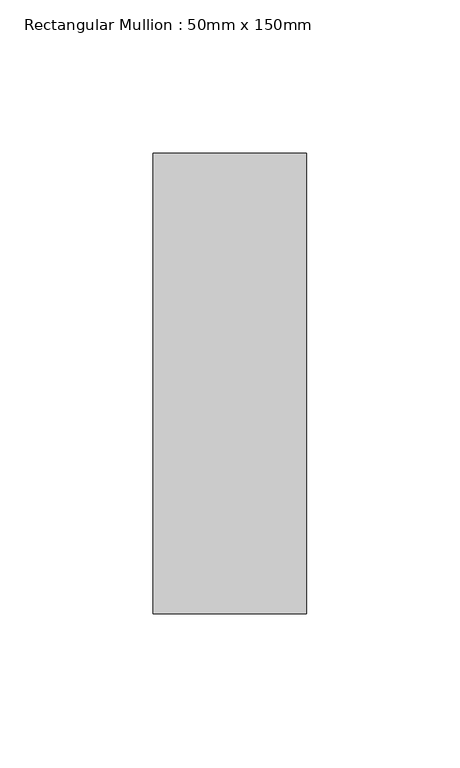
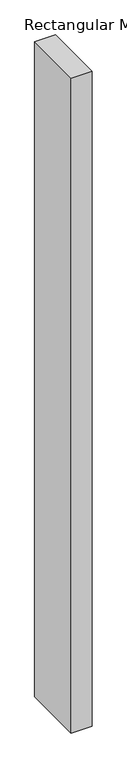
"""IFC4 building model written with IfcOpenShell, lengths in millimetres: member geometry, Rectangular Mullion : 50mm x 150mm."""

from ifc_helpers import new_model, si_unit, frame, origin, place, context, project, spatial, polyline, outline, extrude, source, transform, mapped, element, save


def rectangular_mullion_50mm_x_150mm_c90c1fda(model_context):
    return source(origin(), model_context, "Body", "SweptSolid", [
        extrude(outline(polyline([(0.0, 75.0), (0.0, -75.0), (-50.0, -75.0), (-50.0, 75.0), (0.0, 75.0)])), frame((0.0, 0.0, -1642.368421), z_axis=(0.0, 0.0, 1.0), x_axis=(1.0, 0.0, 0.0)), (0.0, 0.0, 1.0), 1642.368421),
    ])


if __name__ == "__main__":
    model = new_model("IFC4")
    model_context = context("Model", 3, world=origin())
    ifc_project = project(units=[si_unit("LENGTHUNIT", "METRE", prefix="MILLI")], contexts=[model_context])
    site = spatial("IfcSite", under=ifc_project)
    building = spatial("IfcBuilding", under=site)
    placement = place(None, origin())
    rectangular_mullion_50mm_x_150mm_shape = rectangular_mullion_50mm_x_150mm_c90c1fda(model_context)
    element("IfcMember", 1, ObjectType="Rectangular Mullion : 50mm x 150mm", at=placement, inside=building, context=model_context, shape_type="MappedRepresentation", body=[
        mapped(rectangular_mullion_50mm_x_150mm_shape, transform((0.0, 0.0, 0.0), x_axis=(1.0, 0.0, 0.0), y_axis=(0.0, 1.0, 0.0), z_axis=(0.0, 0.0, 1.0))),
    ])
    save(model, "model.ifc")
